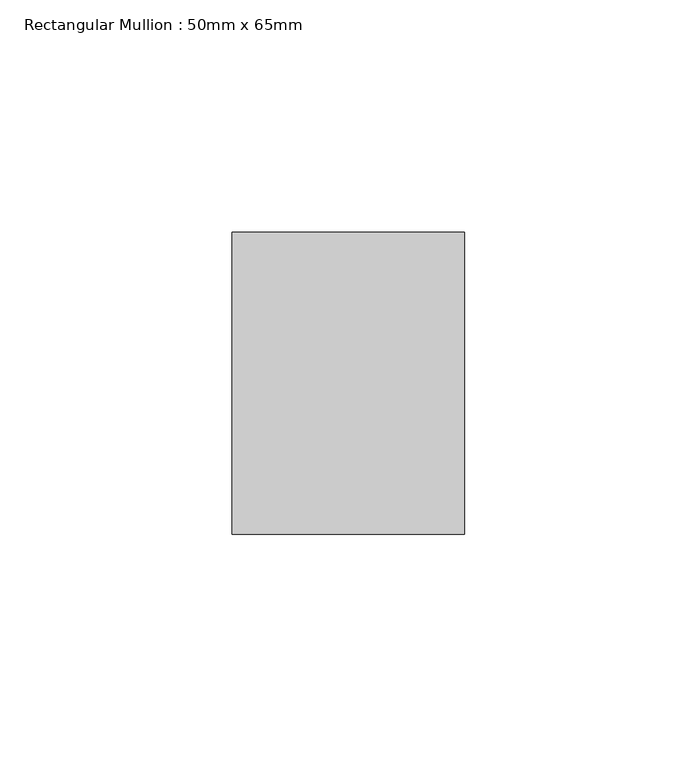
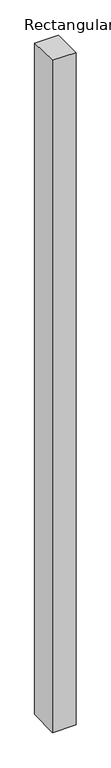
"""IFC4 building model written with IfcOpenShell, lengths in millimetres: member geometry, Rectangular Mullion : 50mm x 65mm."""

from ifc_helpers import new_model, si_unit, origin, place, context, project, spatial, faceted_brep, source, transform, mapped, element, save


def rectangular_mullion_50mm_x_65mm_4371c562(model_context):
    return source(origin(), model_context, "Body", "Brep", [
        faceted_brep([(-25.0, 32.5, -0.5637247), (25.0, 32.5, -0.5637251), (25.0, 32.5, -1499.5032943), (-25.0, 32.5, -1499.5032946), (-25.0, -32.5, 0.5637251), (-25.0, -32.5, -1500.4966504), (25.0, -32.5, 0.5637247), (25.0, -32.5, -1500.4966501)], [[[0, 1, 2, 3]], [[4, 0, 3, 5]], [[6, 4, 5, 7]], [[1, 6, 7, 2]], [[1, 0, 4, 6]], [[2, 7, 5, 3]]]),
    ])


if __name__ == "__main__":
    model = new_model("IFC4")
    model_context = context("Model", 3, world=origin())
    ifc_project = project(units=[si_unit("LENGTHUNIT", "METRE", prefix="MILLI")], contexts=[model_context])
    site = spatial("IfcSite", under=ifc_project)
    building = spatial("IfcBuilding", under=site)
    placement = place(None, origin())
    rectangular_mullion_50mm_x_65mm_shape = rectangular_mullion_50mm_x_65mm_4371c562(model_context)
    element("IfcMember", 1, ObjectType="Rectangular Mullion : 50mm x 65mm", at=placement, inside=building, context=model_context, shape_type="MappedRepresentation", body=[
        mapped(rectangular_mullion_50mm_x_65mm_shape, transform((0.0, 0.0, 0.0), x_axis=(1.0, 0.0, 0.0), y_axis=(0.0, 1.0, 0.0), z_axis=(0.0, 0.0, 1.0))),
    ])
    save(model, "model.ifc")
